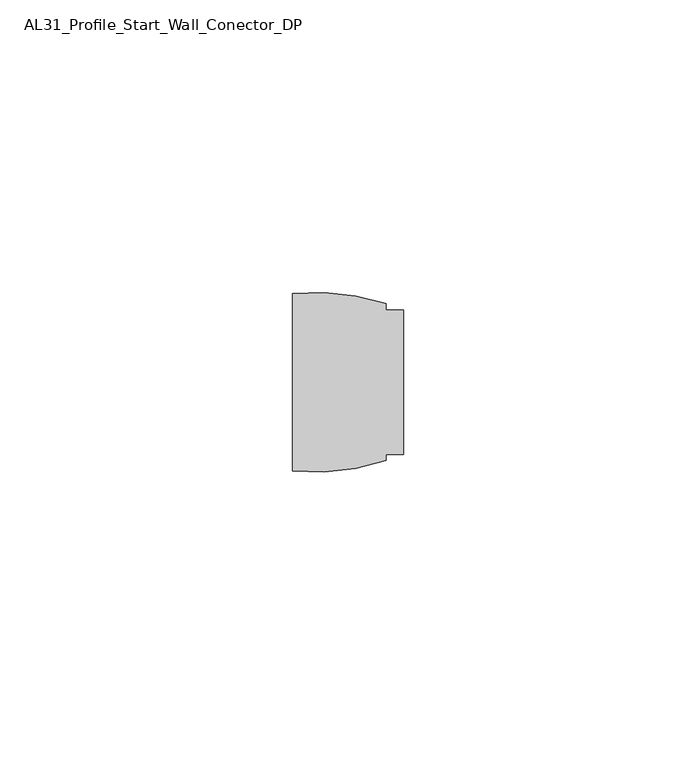
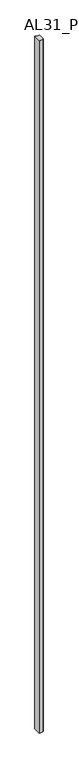
"""IFC4 building model written with IfcOpenShell, lengths in millimetres: member geometry, AL31_Profile_Start_Wall_Conector_DP."""

from ifc_helpers import new_model, si_unit, point, frame, frame_2d, origin, place, context, project, spatial, polyline, circle_curve, trimmed, segment, composite_curve, outline, extrude, source, transform, mapped, element, save


def al31_profile_start_wall_conector_dp_a68c98a0(model_context):
    return source(origin(), model_context, "Body", "SweptSolid", [
        extrude(outline(composite_curve([segment(polyline([(-2.91093, -7.507), (0.0, -7.507), (0.0, -32.207), (-2.9109321, -32.207), (-2.9109321, -33.2625122)]), True, "CONTINUOUS"), segment(trimmed(circle_curve(frame_2d((-14.910931, 2.7930009)), 38.0), [point((-2.9109321, -33.2625122))], [point((-18.9189957, -34.9950318))], False, "CARTESIAN"), True, "CONTINUOUS"), segment(polyline([(-18.9189957, -34.9950318), (-18.9189957, -4.7189715)]), True, "CONTINUOUS"), segment(trimmed(circle_curve(frame_2d((-14.910931, -42.5070042)), 38.0), [point((-18.9189957, -4.7189715))], [point((-2.91093, -6.4514918))], False, "CARTESIAN"), True, "CONTINUOUS"), segment(polyline([(-2.91093, -6.4514918), (-2.91093, -7.507)]), True, "CONTINUOUS")], self_intersect=False)), frame((0.0, 0.0, -3000.0), z_axis=(0.0, 0.0, 1.0), x_axis=(1.0, 0.0, 0.0)), (0.0, 0.0, 1.0), 3000.0),
    ])


if __name__ == "__main__":
    model = new_model("IFC4")
    model_context = context("Model", 3, world=origin())
    ifc_project = project(units=[si_unit("LENGTHUNIT", "METRE", prefix="MILLI")], contexts=[model_context])
    site = spatial("IfcSite", under=ifc_project)
    building = spatial("IfcBuilding", under=site)
    placement = place(None, origin())
    al31_profile_start_wall_conector_dp_shape = al31_profile_start_wall_conector_dp_a68c98a0(model_context)
    element("IfcMember", 1, ObjectType="AL31_Profile_Start_Wall_Conector_DP", at=placement, inside=building, context=model_context, shape_type="MappedRepresentation", body=[
        mapped(al31_profile_start_wall_conector_dp_shape, transform((0.0, 0.0, 0.0), x_axis=(1.0, 0.0, 0.0), y_axis=(0.0, 1.0, 0.0), z_axis=(0.0, 0.0, 1.0))),
    ])
    save(model, "model.ifc")
